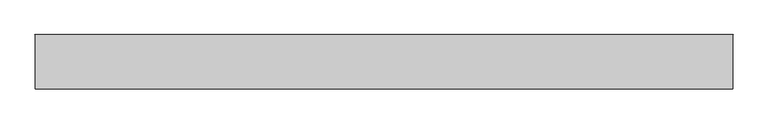
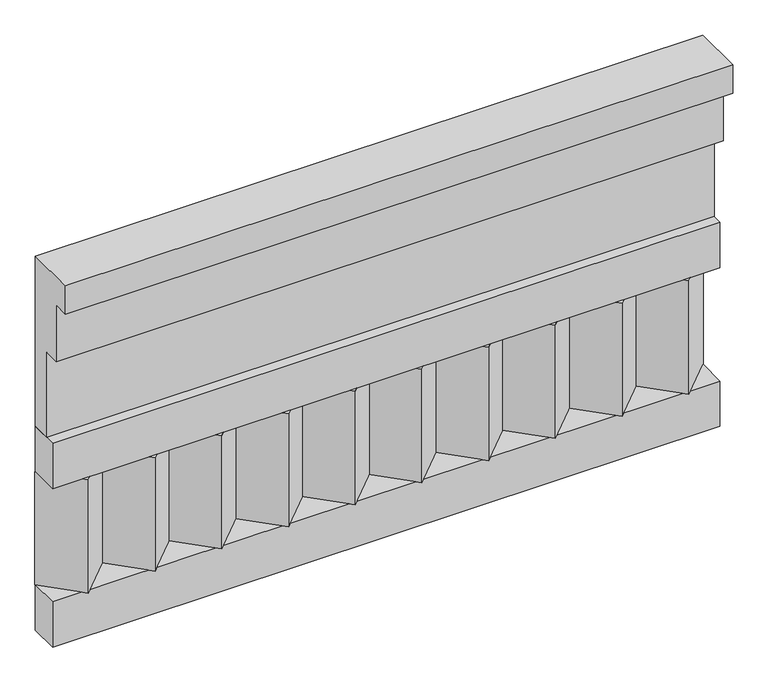
"""IFC4 building model written with IfcOpenShell, lengths in millimetres: railing geometry."""

import ifcopenshell
import ifcopenshell.guid

model = None  # the IFC model being written
_history = None  # IfcOwnerHistory: only IFC2X3 demands one
_inside = {}  # id of a spatial element -> (the spatial element, [elements in it])
_under = {}  # id of a project, library or spatial element -> (it, [spatial elements below it])
_declared = {}  # id of a project -> (the project, [libraries it declares])
_typed = {}  # id of a type object -> (the type object, [elements of that type])
_made_of = {}  # id of a material, layer set ... -> (it, [elements and type objects made of it])


def new_model(schema):
    """Start an empty IFC model of exactly this schema.

    Asked for "IFC4X3", IfcOpenShell would pick the latest addendum, in which some entities
    have other attributes; the version numbers below select the first issue.
    IFC2X3 requires an IfcOwnerHistory on every rooted entity: one is made here for all.
    """
    global model, _history
    if schema == "IFC4X3":
        model = ifcopenshell.file(schema_version=(4, 3, 0, 0))
    else:
        model = ifcopenshell.file(schema=schema)
    _inside.clear()
    _under.clear()
    _declared.clear()
    _typed.clear()
    _made_of.clear()
    _history = None
    if model.schema == "IFC2X3":
        org = make("IfcOrganization", Name="unknown")
        user = make(
            "IfcPersonAndOrganization",
            ThePerson=make("IfcPerson", FamilyName="unknown"),
            TheOrganization=org,
        )
        app = make(
            "IfcApplication",
            ApplicationDeveloper=org,
            Version="unknown",
            ApplicationFullName="unknown",
            ApplicationIdentifier="unknown",
        )
        _history = make(
            "IfcOwnerHistory",
            OwningUser=user,
            OwningApplication=app,
            ChangeAction="ADDED",
            CreationDate=0,
        )
    return model


def make(cls, **values):
    """One entity of the class cls with the attributes given. An attribute that is None is left unset."""
    return model.create_entity(
        cls, **{name: value for name, value in values.items() if value is not None}
    )


def rooted(cls, **values):
    """An entity with a GlobalId (a new one), such as an element, a storey or a relation."""
    return make(cls, GlobalId=ifcopenshell.guid.new(), OwnerHistory=_history, **values)


def si_unit(unit_type, name, prefix=None):
    """IfcSIUnit, for example si_unit("LENGTHUNIT", "METRE", prefix="MILLI")."""
    return make("IfcSIUnit", UnitType=unit_type, Prefix=prefix, Name=name)


def assignment(units):
    """IfcUnitAssignment: the units of a project."""
    return None if units is None else make("IfcUnitAssignment", Units=units)


def point(xyz):
    """IfcCartesianPoint."""
    return None if xyz is None else make("IfcCartesianPoint", Coordinates=xyz)


def direction(xyz):
    """IfcDirection."""
    return None if xyz is None else make("IfcDirection", DirectionRatios=xyz)


def frame(location, z_axis=None, x_axis=None):
    """IfcAxis2Placement3D, a coordinate frame: its origin and axes. An axis left out is left unset."""
    return make(
        "IfcAxis2Placement3D",
        Location=point(location),
        Axis=direction(z_axis),
        RefDirection=direction(x_axis),
    )


def origin():
    """The frame at (0, 0, 0) with its axes left unset."""
    return frame((0.0, 0.0, 0.0))


def place(relative_to, where):
    """IfcLocalPlacement: puts the frame where relative to a parent placement (None: the world)."""
    return make(
        "IfcLocalPlacement", PlacementRelTo=relative_to, RelativePlacement=where
    )


def context(
    kind, dimensions, precision=None, world=None, true_north=None, identifier=None
):
    """IfcGeometricRepresentationContext, for example the 3D "Model" context."""
    return make(
        "IfcGeometricRepresentationContext",
        ContextIdentifier=identifier,
        ContextType=kind,
        CoordinateSpaceDimension=dimensions,
        Precision=precision,
        WorldCoordinateSystem=world,
        TrueNorth=true_north,
    )


def project(units=None, contexts=None):
    """IfcProject with its units and contexts."""
    return rooted(
        "IfcProject",
        Name="project",
        RepresentationContexts=contexts,
        UnitsInContext=assignment(units),
    )


def spatial(cls, under=None, at=None, **own):
    """A site, building, storey or space (cls), placed at a placement, below another one or the project."""
    s = rooted(cls, ObjectPlacement=at, **own)
    if under is not None:
        _under.setdefault(under.id(), (under, []))[1].append(s)
    return s


def polyline(points):
    """IfcPolyline through the points."""
    return make("IfcPolyline", Points=[point(p) for p in points])


def outline(outer, holes=None, kind="AREA"):
    """IfcArbitraryClosedProfileDef: a profile drawn as a closed curve; with holes, ...WithVoids."""
    if holes is None:
        return make("IfcArbitraryClosedProfileDef", ProfileType=kind, OuterCurve=outer)
    return make(
        "IfcArbitraryProfileDefWithVoids",
        ProfileType=kind,
        OuterCurve=outer,
        InnerCurves=holes,
    )


def extrude(swept, where, along, depth):
    """IfcExtrudedAreaSolid: the profile swept, set in the frame where, extruded along a direction by depth."""
    return make(
        "IfcExtrudedAreaSolid",
        SweptArea=swept,
        Position=where,
        ExtrudedDirection=direction(along),
        Depth=depth,
    )


def shape(context_of_items, identifier, shape_type, items):
    """IfcShapeRepresentation: the items that make up one representation, for example the "Body"."""
    return make(
        "IfcShapeRepresentation",
        ContextOfItems=context_of_items,
        RepresentationIdentifier=identifier,
        RepresentationType=shape_type,
        Items=items,
    )


def source(mapping_origin, context_of_items, identifier, shape_type, items):
    """IfcRepresentationMap: a shape defined once, which mapped items show again and again."""
    return make(
        "IfcRepresentationMap",
        MappingOrigin=mapping_origin,
        MappedRepresentation=shape(context_of_items, identifier, shape_type, items),
    )


def transform(
    local_origin,
    x_axis=None,
    y_axis=None,
    z_axis=None,
    scale=None,
    scale2=None,
    scale3=None,
    uniform=True,
):
    """IfcCartesianTransformationOperator3D, or its non-uniform kind. x_axis, y_axis, z_axis: its Axis1, 2, 3."""
    if uniform:
        return make(
            "IfcCartesianTransformationOperator3D",
            Axis1=direction(x_axis),
            Axis2=direction(y_axis),
            LocalOrigin=point(local_origin),
            Scale=scale,
            Axis3=direction(z_axis),
        )
    return make(
        "IfcCartesianTransformationOperator3DnonUniform",
        Axis1=direction(x_axis),
        Axis2=direction(y_axis),
        LocalOrigin=point(local_origin),
        Scale=scale,
        Axis3=direction(z_axis),
        Scale2=scale2,
        Scale3=scale3,
    )


def mapped(mapping_source, mapping_target):
    """IfcMappedItem: shows the shape of a source again, moved by a transform."""
    return make(
        "IfcMappedItem", MappingSource=mapping_source, MappingTarget=mapping_target
    )


def made_of(thing, what):
    """Note that an element or type object is made of a material, layer set ...; save() writes the relation."""
    if what is not None:
        _made_of.setdefault(what.id(), (what, []))[1].append(thing)
    return thing


def element(
    cls,
    number,
    at=None,
    inside=None,
    cuts=None,
    type_object=None,
    material=None,
    context=None,
    identifier="Body",
    shape_type=None,
    held_by="IfcProductDefinitionShape",
    body=None,
    shapes=None,
    **own,
):
    """One element of the class cls, such as IfcWall. Its Tag is "e" and its number.

    at: its placement. inside: the storey or other place that contains it. cuts: it is an
    opening in that element (IfcRelVoidsElement). A single representation is given by context,
    identifier, shape_type and body (its items); several are given by shapes. held_by: the class
    of the entity that holds the representations. save() writes the other relations.
    """
    e = rooted(cls, Tag="e%d" % number, ObjectPlacement=at, **own)
    if body is not None:
        shapes = [shape(context, identifier, shape_type, body)]
    if shapes is not None:
        e.Representation = make(held_by, Representations=shapes)
    if inside is not None:
        _inside.setdefault(inside.id(), (inside, []))[1].append(e)
    if cuts is not None:
        rooted(
            "IfcRelVoidsElement", RelatingBuildingElement=cuts, RelatedOpeningElement=e
        )
    if type_object is not None:
        _typed.setdefault(type_object.id(), (type_object, []))[1].append(e)
    return made_of(e, material)


def aggregate(whole, parts):
    """IfcRelAggregates: a whole, such as a stair, and the parts it consists of."""
    return rooted("IfcRelAggregates", RelatingObject=whole, RelatedObjects=parts)


def save(model, path):
    """Write the relations noted so far, then the file.

    IfcRelAggregates (storeys below a building ...), IfcRelContainedInSpatialStructure (elements
    in a storey), IfcRelDefinesByType, IfcRelAssociatesMaterial and IfcRelDeclares: one each for
    every whole, place, type object, material and project.
    """
    for whole, parts in _under.values():
        aggregate(whole, parts)
    for where, things in _inside.values():
        rooted(
            "IfcRelContainedInSpatialStructure",
            RelatedElements=things,
            RelatingStructure=where,
        )
    for kind, things in _typed.values():
        rooted("IfcRelDefinesByType", RelatedObjects=things, RelatingType=kind)
    for what, things in _made_of.values():
        rooted("IfcRelAssociatesMaterial", RelatedObjects=things, RelatingMaterial=what)
    for by, libraries in _declared.values():
        rooted("IfcRelDeclares", RelatingContext=by, RelatedDefinitions=libraries)
    model.write(path)


def railing_e55b3ede(model_context):
    return source(origin(), model_context, "Body", "SweptSolid", [
        extrude(outline(polyline([(-16816.8920513, 15205.0), (-16816.8920513, 14755.0), (-16866.8920513, 14755.0), (-16866.8920513, 14980.0), (-16906.8920513, 14980.0), (-16906.8920513, 15130.0), (-16946.8920513, 15130.0), (-16946.8920513, 15205.0), (-16816.8920513, 15205.0)])), frame((-29609.9887159, 0.0, 0.0), z_axis=(1.0, 0.0, 0.0), x_axis=(0.0, 1.0, 0.0)), (0.0, 0.0, 1.0), 1670.0),
        extrude(outline(polyline([(-29609.9887159, -16891.8920513), (-29609.9887159, -16816.8920513), (-27939.9887159, -16816.8920513), (-27939.9887159, -16891.8920513), (-29609.9887159, -16891.8920513)])), frame((0.0, 0.0, 14635.0), z_axis=(0.0, 0.0, 1.0), x_axis=(1.0, 0.0, 0.0)), (0.0, 0.0, 1.0), 120.0),
        extrude(outline(polyline([(-29609.9887159, -16891.8920513), (-29609.9887159, -16816.8920513), (-27939.9887159, -16816.8920513), (-27939.9887159, -16891.8920513), (-29609.9887159, -16891.8920513)])), frame((0.0, 0.0, 14215.0), z_axis=(0.0, 0.0, 1.0), x_axis=(1.0, 0.0, 0.0)), (0.0, 0.0, 1.0), 120.0),
        extrude(outline(polyline([(-28023.4887159, -16901.7448651), (-28108.3415296, -16816.8920513), (-27938.6359022, -16816.8920513), (-28023.4887159, -16901.7448651)])), frame((0.0, 0.0, 14335.0), z_axis=(0.0, 0.0, 1.0), x_axis=(1.0, 0.0, 0.0)), (0.0, 0.0, 1.0), 300.0),
        extrude(outline(polyline([(-28190.4887159, -16901.7448651), (-28275.3415296, -16816.8920513), (-28105.6359022, -16816.8920513), (-28190.4887159, -16901.7448651)])), frame((0.0, 0.0, 14335.0), z_axis=(0.0, 0.0, 1.0), x_axis=(1.0, 0.0, 0.0)), (0.0, 0.0, 1.0), 300.0),
        extrude(outline(polyline([(-28357.4887159, -16901.7448651), (-28442.3415296, -16816.8920513), (-28272.6359022, -16816.8920513), (-28357.4887159, -16901.7448651)])), frame((0.0, 0.0, 14335.0), z_axis=(0.0, 0.0, 1.0), x_axis=(1.0, 0.0, 0.0)), (0.0, 0.0, 1.0), 300.0),
        extrude(outline(polyline([(-28524.4887159, -16901.7448651), (-28609.3415296, -16816.8920513), (-28439.6359022, -16816.8920513), (-28524.4887159, -16901.7448651)])), frame((0.0, 0.0, 14335.0), z_axis=(0.0, 0.0, 1.0), x_axis=(1.0, 0.0, 0.0)), (0.0, 0.0, 1.0), 300.0),
        extrude(outline(polyline([(-28691.4887159, -16901.7448651), (-28776.3415296, -16816.8920513), (-28606.6359022, -16816.8920513), (-28691.4887159, -16901.7448651)])), frame((0.0, 0.0, 14335.0), z_axis=(0.0, 0.0, 1.0), x_axis=(1.0, 0.0, 0.0)), (0.0, 0.0, 1.0), 300.0),
        extrude(outline(polyline([(-28858.4887159, -16901.7448651), (-28943.3415296, -16816.8920513), (-28773.6359022, -16816.8920513), (-28858.4887159, -16901.7448651)])), frame((0.0, 0.0, 14335.0), z_axis=(0.0, 0.0, 1.0), x_axis=(1.0, 0.0, 0.0)), (0.0, 0.0, 1.0), 300.0),
        extrude(outline(polyline([(-29025.4887159, -16901.7448651), (-29110.3415296, -16816.8920513), (-28940.6359022, -16816.8920513), (-29025.4887159, -16901.7448651)])), frame((0.0, 0.0, 14335.0), z_axis=(0.0, 0.0, 1.0), x_axis=(1.0, 0.0, 0.0)), (0.0, 0.0, 1.0), 300.0),
        extrude(outline(polyline([(-29192.4887159, -16901.7448651), (-29277.3415296, -16816.8920513), (-29107.6359022, -16816.8920513), (-29192.4887159, -16901.7448651)])), frame((0.0, 0.0, 14335.0), z_axis=(0.0, 0.0, 1.0), x_axis=(1.0, 0.0, 0.0)), (0.0, 0.0, 1.0), 300.0),
        extrude(outline(polyline([(-29359.4887159, -16901.7448651), (-29444.3415296, -16816.8920513), (-29274.6359022, -16816.8920513), (-29359.4887159, -16901.7448651)])), frame((0.0, 0.0, 14335.0), z_axis=(0.0, 0.0, 1.0), x_axis=(1.0, 0.0, 0.0)), (0.0, 0.0, 1.0), 300.0),
        extrude(outline(polyline([(-29526.4887159, -16901.7448651), (-29611.3415296, -16816.8920513), (-29441.6359022, -16816.8920513), (-29526.4887159, -16901.7448651)])), frame((0.0, 0.0, 14335.0), z_axis=(0.0, 0.0, 1.0), x_axis=(1.0, 0.0, 0.0)), (0.0, 0.0, 1.0), 300.0),
    ])


if __name__ == "__main__":
    model = new_model("IFC4")
    model_context = context("Model", 3, world=origin())
    ifc_project = project(units=[si_unit("LENGTHUNIT", "METRE", prefix="MILLI")], contexts=[model_context])
    site = spatial("IfcSite", under=ifc_project)
    building = spatial("IfcBuilding", under=site)
    placement = place(None, origin())
    railing_shape = railing_e55b3ede(model_context)
    element("IfcRailing", 1, at=placement, inside=building, context=model_context, shape_type="MappedRepresentation", body=[
        mapped(railing_shape, transform((0.0, 0.0, 0.0), x_axis=(1.0, 0.0, 0.0), y_axis=(0.0, 1.0, 0.0), z_axis=(0.0, 0.0, 1.0))),
    ])
    save(model, "model.ifc")
